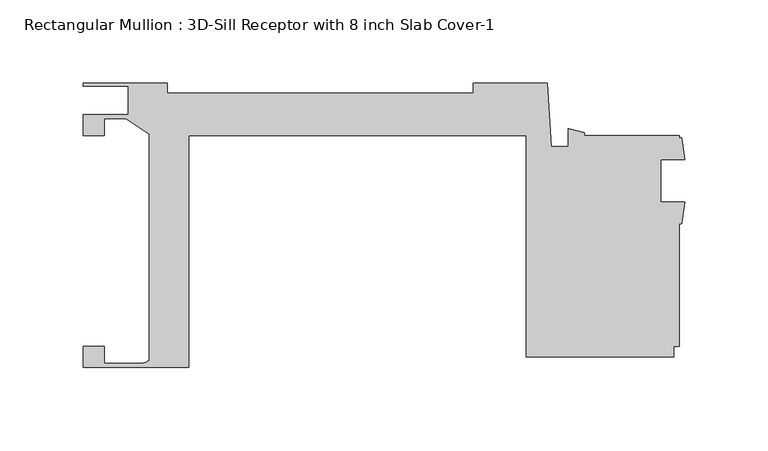
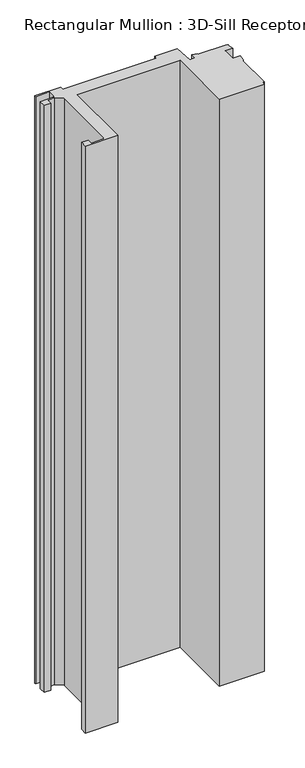
"""IFC4 building model written with IfcOpenShell, lengths in millimetres: member geometry, Rectangular Mullion : 3D-Sill Receptor with 8 inch Slab Cover-1."""

from ifc_helpers import new_model, si_unit, point, frame, frame_2d, origin, place, context, project, spatial, polyline, circle_curve, trimmed, segment, composite_curve, outline, extrude, source, transform, mapped, element, save


def rectangular_mullion_3d_sill_receptor_with_8_inch_slab_cover_c8e0c1a9(model_context):
    return source(origin(), model_context, "Body", "SweptSolid", [
        extrude(outline(composite_curve([segment(polyline([(-327.0250613, 53.962968), (-327.0250613, 66.8032812), (-299.8652608, 66.8032812), (-299.8652608, 83.7039385), (-327.0250613, 83.7039385), (-327.0250613, 85.7359385), (-276.2250613, 85.7359385), (-276.2250613, 79.6223721), (-92.0750617, 79.6223721), (-92.0750617, 85.736936), (-47.7427622, 85.736936), (-45.0850617, 47.3697995), (-34.9250617, 47.3697995), (-34.9250617, 58.1604164), (-25.4000617, 55.7182337), (-25.4000617, 53.9869695), (31.7500653, 53.9869695), (31.7500653, 52.1834445)]), True, "CONTINUOUS"), segment(trimmed(circle_curve(frame_2d((32.5601464, 51.8379412)), 0.8806837), [point((31.7500653, 52.1834445))], [point((33.3359616, 52.254732))], False, "CARTESIAN"), True, "CONTINUOUS"), segment(polyline([(33.3359616, 52.254732), (35.1460653, 39.4834445), (20.6375653, 39.4834445), (20.6375653, 14.0834445), (35.269587, 14.0834445), (33.4134697, 1.3103917)]), True, "CONTINUOUS"), segment(trimmed(circle_curve(frame_2d((32.5817675, 1.8247731)), 0.9779145), [point((33.4134697, 1.3103917))], [point((31.7500653, 1.3103917))], False, "CARTESIAN"), True, "CONTINUOUS"), segment(polyline([(31.7500653, 1.3103917), (31.7500653, -73.0130305), (28.5749113, -73.0130305), (28.5749113, -79.362968), (-60.3250617, -79.362968), (-60.3250617, 53.9869695), (-263.5250617, 53.9869695), (-263.5250617, -85.7140614), (-326.9996617, -85.7140614), (-326.9996617, -72.9940054), (-314.2996617, -72.9940054), (-314.2996617, -83.1740614), (-291.7825617, -83.1740614)]), True, "CONTINUOUS"), segment(trimmed(circle_curve(frame_2d((-291.7825617, -76.8240614)), 6.35), [point((-291.7825617, -83.1740614))], [point((-287.3248613, -81.3463846))], True, "CARTESIAN"), True, "CONTINUOUS"), segment(polyline([(-287.3248613, -81.3463846), (-287.3248613, 54.9648513), (-301.319607, 64.2632812), (-314.3504617, 64.2632812), (-314.3504617, 53.962968), (-327.0250613, 53.962968)]), True, "CONTINUOUS")], self_intersect=False)), frame((0.0, 0.0, -1219.2), z_axis=(0.0, 0.0, 1.0), x_axis=(1.0, 0.0, 0.0)), (0.0, 0.0, 1.0), 1219.2),
    ])


if __name__ == "__main__":
    model = new_model("IFC4")
    model_context = context("Model", 3, world=origin())
    ifc_project = project(units=[si_unit("LENGTHUNIT", "METRE", prefix="MILLI")], contexts=[model_context])
    site = spatial("IfcSite", under=ifc_project)
    building = spatial("IfcBuilding", under=site)
    placement = place(None, origin())
    rectangular_mullion_3d_sill_receptor_with_8_inch_slab_cover_shape = rectangular_mullion_3d_sill_receptor_with_8_inch_slab_cover_c8e0c1a9(model_context)
    element("IfcMember", 1, ObjectType="Rectangular Mullion : 3D-Sill Receptor with 8 inch Slab Cover-1", at=placement, inside=building, context=model_context, shape_type="MappedRepresentation", body=[
        mapped(rectangular_mullion_3d_sill_receptor_with_8_inch_slab_cover_shape, transform((0.0, 0.0, 0.0), x_axis=(1.0, 0.0, 0.0), y_axis=(0.0, 1.0, 0.0), z_axis=(0.0, 0.0, 1.0))),
    ])
    save(model, "model.ifc")
